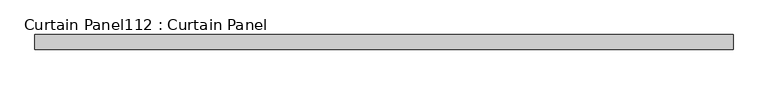
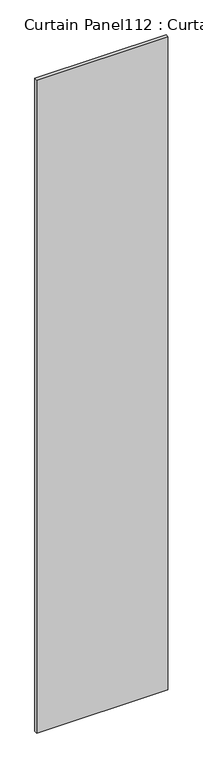
"""IFC4 building model written with IfcOpenShell, lengths in millimetres: plate geometry, Curtain Panel112 : Curtain Panel."""

from ifc_helpers import new_model, si_unit, frame, origin, place, context, project, spatial, polyline, outline, extrude, source, transform, mapped, element, save


def curtain_panel112_curtain_panel_83ce6ebe(model_context):
    return source(origin(), model_context, "Body", "SweptSolid", [
        extrude(outline(polyline([(251345.3386393, 2341.4234836), (250162.9400248, 2341.4234836), (250162.9400248, 2366.8234836), (251345.3386393, 2366.8234836), (251345.3386393, 2341.4234836)])), frame((0.0, 0.0, 4914.2249337), z_axis=(0.0, 0.0, 1.0), x_axis=(1.0, 0.0, 0.0)), (0.0, 0.0, 1.0), 6215.2544314),
    ])


if __name__ == "__main__":
    model = new_model("IFC4")
    model_context = context("Model", 3, world=origin())
    ifc_project = project(units=[si_unit("LENGTHUNIT", "METRE", prefix="MILLI")], contexts=[model_context])
    site = spatial("IfcSite", under=ifc_project)
    building = spatial("IfcBuilding", under=site)
    placement = place(None, origin())
    curtain_panel112_curtain_panel_shape = curtain_panel112_curtain_panel_83ce6ebe(model_context)
    element("IfcPlate", 1, ObjectType="Curtain Panel112 : Curtain Panel", at=placement, inside=building, context=model_context, shape_type="MappedRepresentation", body=[
        mapped(curtain_panel112_curtain_panel_shape, transform((0.0, 0.0, 0.0), x_axis=(1.0, 0.0, 0.0), y_axis=(0.0, 1.0, 0.0), z_axis=(0.0, 0.0, 1.0))),
    ])
    save(model, "model.ifc")
